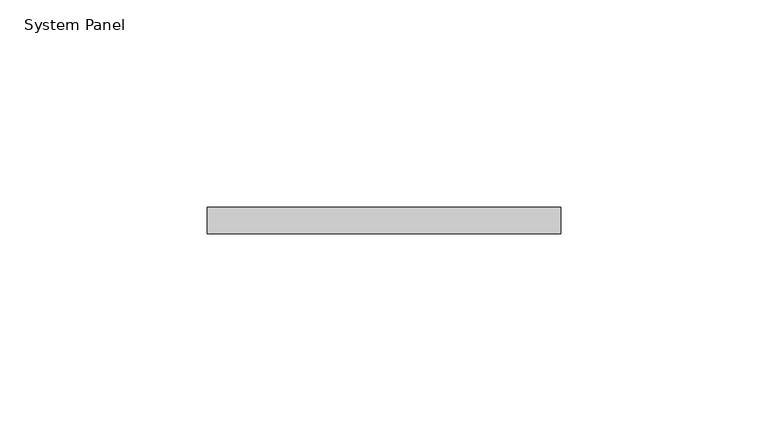
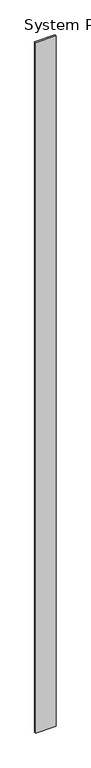
"""IFC4 building model written with IfcOpenShell, lengths in millimetres: plate geometry, System Panel."""

from ifc_helpers import new_model, si_unit, origin, origin_with_axes, place, context, project, spatial, polyline, outline, extrude, source, transform, mapped, element, save


def system_panel_8c971f60(model_context):
    return source(origin(), model_context, "Body", "SweptSolid", [
        extrude(outline(polyline([(42.6476885, 0.0), (-42.6476885, 0.0), (-42.6476885, 6.35), (42.6476885, 6.35), (42.6476885, 0.0)])), origin_with_axes(), (0.0, 0.0, 1.0), 3048.0),
    ])


if __name__ == "__main__":
    model = new_model("IFC4")
    model_context = context("Model", 3, world=origin())
    ifc_project = project(units=[si_unit("LENGTHUNIT", "METRE", prefix="MILLI")], contexts=[model_context])
    site = spatial("IfcSite", under=ifc_project)
    building = spatial("IfcBuilding", under=site)
    placement = place(None, origin())
    system_panel_shape = system_panel_8c971f60(model_context)
    element("IfcPlate", 1, ObjectType="System Panel", at=placement, inside=building, context=model_context, shape_type="MappedRepresentation", body=[
        mapped(system_panel_shape, transform((0.0, 0.0, 0.0), x_axis=(1.0, 0.0, 0.0), y_axis=(0.0, 1.0, 0.0), z_axis=(0.0, 0.0, 1.0))),
    ])
    save(model, "model.ifc")
